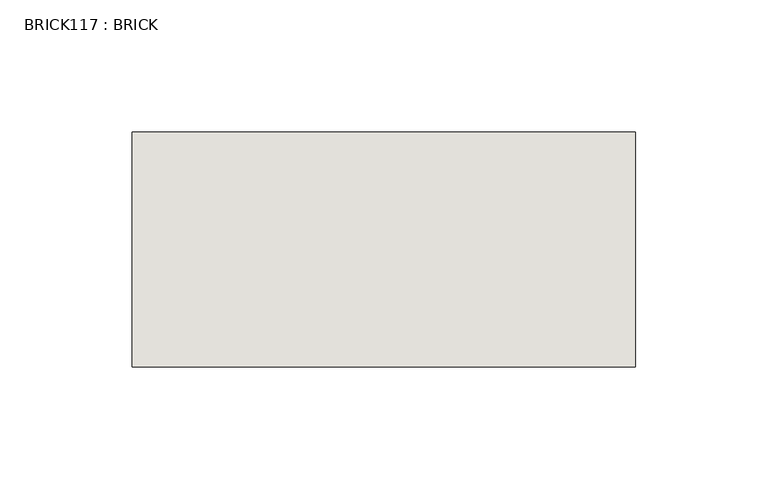
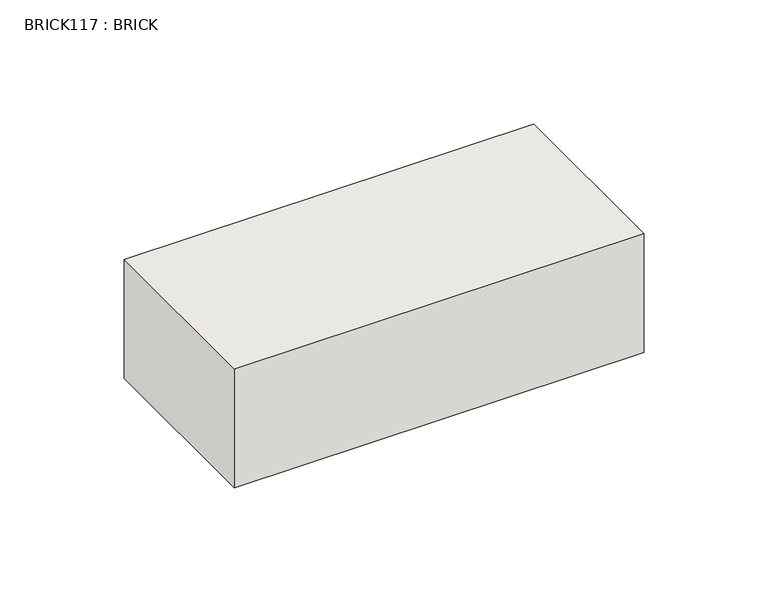
"""IFC4 building model written with IfcOpenShell, lengths in millimetres: wall geometry, BRICK117 : BRICK."""

from ifc_helpers import new_model, si_unit, frame, origin, place, context, project, spatial, polyline, outline, extrude, source, transform, mapped, element, save


def brick117_brick_7fc00a77(model_context):
    return source(origin(), model_context, "Body", "SweptSolid", [
        extrude(outline(polyline([(631.6530711, 2586.2274125), (822.1530711, 2586.2274125), (822.1530711, 2497.3274125), (631.6530711, 2497.3274125), (631.6530711, 2586.2274125)])), frame((0.0, 0.0, 214.0148438), z_axis=(0.0, 0.0, 1.0), x_axis=(1.0, 0.0, 0.0)), (0.0, 0.0, 1.0), 58.4398437),
    ])


if __name__ == "__main__":
    model = new_model("IFC4")
    model_context = context("Model", 3, world=origin())
    ifc_project = project(units=[si_unit("LENGTHUNIT", "METRE", prefix="MILLI")], contexts=[model_context])
    site = spatial("IfcSite", under=ifc_project)
    building = spatial("IfcBuilding", under=site)
    placement = place(None, origin())
    brick117_brick_shape = brick117_brick_7fc00a77(model_context)
    element("IfcWall", 1, ObjectType="BRICK117 : BRICK", at=placement, inside=building, context=model_context, shape_type="MappedRepresentation", body=[
        mapped(brick117_brick_shape, transform((0.0, 0.0, 0.0), x_axis=(1.0, 0.0, 0.0), y_axis=(0.0, 1.0, 0.0), z_axis=(0.0, 0.0, 1.0))),
    ])
    save(model, "model.ifc")
